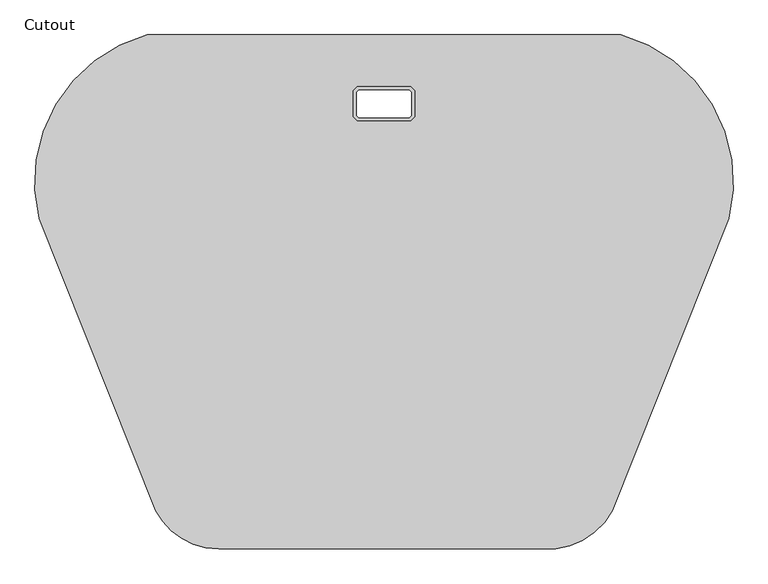
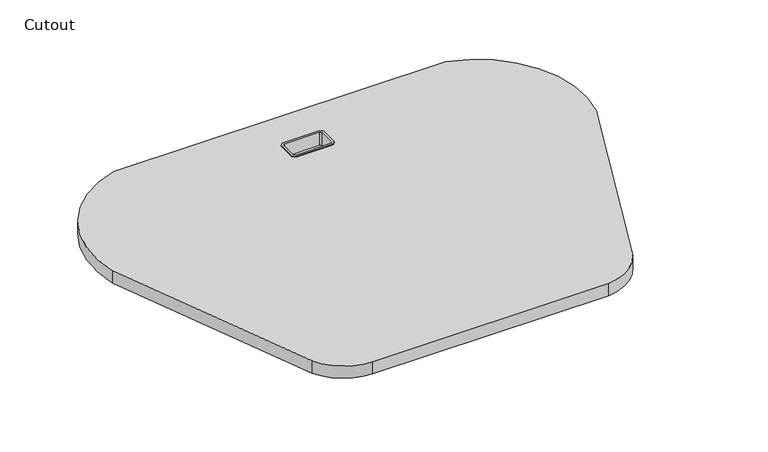
"""IFC4 building model written with IfcOpenShell, lengths in millimetres: furniture geometry, Cutout."""

from ifc_helpers import new_model, si_unit, point, frame, frame_2d, origin, place, context, project, spatial, polyline, circle_curve, trimmed, segment, composite_curve, outline, extrude, faceted_brep, source, transform, mapped, element, save


def cutout_dbd138e1(model_context):
    return source(origin(), model_context, "Body", "SolidModel", [
        extrude(outline(composite_curve([segment(trimmed(circle_curve(frame_2d((3392.1735039, 900.0160521)), 3736.2384926), [point((11.7680596, -691.3158133))], [point((-157.1382072, -266.9734299))], False, "CARTESIAN"), True, "CONTINUOUS"), segment(trimmed(circle_curve(frame_2d((57.8533234, -213.7837528)), 221.4734747), [point((-157.1382072, -266.9734299))], [point((0.0, 0.0))], False, "CARTESIAN"), True, "CONTINUOUS"), segment(polyline([(0.0, 0.0), (686.700888, 0.0)]), True, "CONTINUOUS"), segment(trimmed(circle_curve(frame_2d((628.8475645, -213.7837528)), 221.4734747), [point((686.700888, 0.0))], [point((843.8390952, -266.9734299))], False, "CARTESIAN"), True, "CONTINUOUS"), segment(trimmed(circle_curve(frame_2d((-2705.4726159, 900.0160521)), 3736.2384926), [point((843.8390952, -266.9734299))], [point((674.9328284, -691.3158133))], False, "CARTESIAN"), True, "CONTINUOUS"), segment(trimmed(circle_curve(frame_2d((582.1460324, -641.3767377)), 105.3722012), [point((674.9328284, -691.3158133))], [point((592.5564114, -746.2334246))], False, "CARTESIAN"), True, "CONTINUOUS"), segment(trimmed(circle_curve(frame_2d((345.3117872, 1744.0939838)), 2502.5707793), [point((592.5564114, -746.2334246))], [point((103.23014, -746.7406115))], False, "CARTESIAN"), True, "CONTINUOUS"), segment(trimmed(circle_curve(frame_2d((104.5548556, -641.3767377)), 105.3722012), [point((103.23014, -746.7406115))], [point((11.7680596, -691.3158133))], False, "CARTESIAN"), True, "CONTINUOUS")], self_intersect=False), holes=[polyline([(305.9695489, -78.4537305), (302.0468623, -82.376417), (302.0468623, -117.911342), (305.9695489, -121.8340285), (380.7313391, -121.8340285), (384.6540256, -117.911342), (384.6540256, -82.376417), (380.7313391, -78.4537305), (305.9695489, -78.4537305)])]), frame((0.0, 0.0, 709.676), z_axis=(0.0, 0.0, 1.0), x_axis=(1.0, 0.0, 0.0)), (0.0, 0.0, 1.0), 26.924),
        faceted_brep([(304.7341646, -75.4712491, 738.1875), (304.7341646, -75.4712491, 736.6), (299.064381, -81.1410328, 736.6), (299.064381, -81.1410328, 738.1875), (306.6271129, -80.0412305, 709.676), (306.6271129, -80.0412305, 738.1875), (303.6343623, -83.033981, 738.1875), (303.6343623, -83.033981, 709.676), (305.9695489, -78.4537305, 736.6), (305.9695489, -78.4537305, 709.676), (302.0468623, -82.376417, 709.676), (302.0468623, -82.376417, 736.6), (299.064381, -119.1467262, 736.6), (299.064381, -119.1467262, 738.1875), (303.6343623, -117.253778, 738.1875), (303.6343623, -117.253778, 709.676), (302.0468623, -117.911342, 709.676), (302.0468623, -117.911342, 736.6), (304.7341646, -124.8165099, 736.6), (304.7341646, -124.8165099, 738.1875), (306.6271129, -120.2465285, 738.1875), (306.6271129, -120.2465285, 709.676), (305.9695489, -121.8340285, 709.676), (305.9695489, -121.8340285, 736.6), (381.9667233, -124.8165099, 736.6), (381.9667233, -124.8165099, 738.1875), (380.0737751, -120.2465285, 738.1875), (380.0737751, -120.2465285, 709.676), (380.7313391, -121.8340285, 709.676), (380.7313391, -121.8340285, 736.6), (387.636507, -119.1467262, 736.6), (387.636507, -119.1467262, 738.1875), (383.0665256, -117.253778, 738.1875), (383.0665256, -117.253778, 709.676), (384.6540256, -117.911342, 709.676), (384.6540256, -117.911342, 736.6), (387.636507, -81.1410328, 736.6), (387.636507, -81.1410328, 738.1875), (383.0665256, -83.033981, 738.1875), (383.0665256, -83.033981, 709.676), (384.6540256, -82.376417, 709.676), (384.6540256, -82.376417, 736.6), (381.9667233, -75.4712491, 736.6), (381.9667233, -75.4712491, 738.1875), (380.0737751, -80.0412305, 738.1875), (380.0737751, -80.0412305, 709.676), (380.7313391, -78.4537305, 709.676), (380.7313391, -78.4537305, 736.6)], [[[0, 1, 2, 3]], [[4, 5, 6, 7]], [[8, 9, 10, 11]], [[3, 2, 12, 13]], [[7, 6, 14, 15]], [[11, 10, 16, 17]], [[13, 12, 18, 19]], [[15, 14, 20, 21]], [[17, 16, 22, 23]], [[19, 18, 24, 25]], [[21, 20, 26, 27]], [[23, 22, 28, 29]], [[25, 24, 30, 31]], [[27, 26, 32, 33]], [[29, 28, 34, 35]], [[31, 30, 36, 37]], [[33, 32, 38, 39]], [[35, 34, 40, 41]], [[37, 36, 42, 43]], [[39, 38, 44, 45]], [[41, 40, 46, 47]], [[1, 42, 36, 30, 24, 18, 12, 2], [35, 41, 47, 8, 11, 17, 23, 29]], [[43, 42, 1, 0]], [[31, 37, 43, 0, 3, 13, 19, 25], [5, 44, 38, 32, 26, 20, 14, 6]], [[45, 44, 5, 4]], [[9, 46, 40, 34, 28, 22, 16, 10], [33, 39, 45, 4, 7, 15, 21, 27]], [[47, 46, 9, 8]]]),
    ])


if __name__ == "__main__":
    model = new_model("IFC4")
    model_context = context("Model", 3, world=origin())
    ifc_project = project(units=[si_unit("LENGTHUNIT", "METRE", prefix="MILLI")], contexts=[model_context])
    site = spatial("IfcSite", under=ifc_project)
    building = spatial("IfcBuilding", under=site)
    placement = place(None, origin())
    cutout_shape = cutout_dbd138e1(model_context)
    element("IfcFurniture", 1, ObjectType="Cutout", at=placement, inside=building, context=model_context, shape_type="MappedRepresentation", body=[
        mapped(cutout_shape, transform((0.0, 0.0, 0.0), x_axis=(1.0, 0.0, 0.0), y_axis=(0.0, 1.0, 0.0), z_axis=(0.0, 0.0, 1.0))),
    ])
    save(model, "model.ifc")
